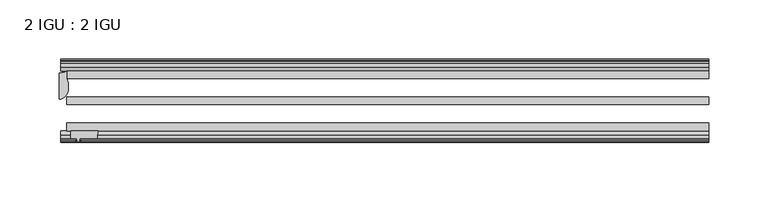
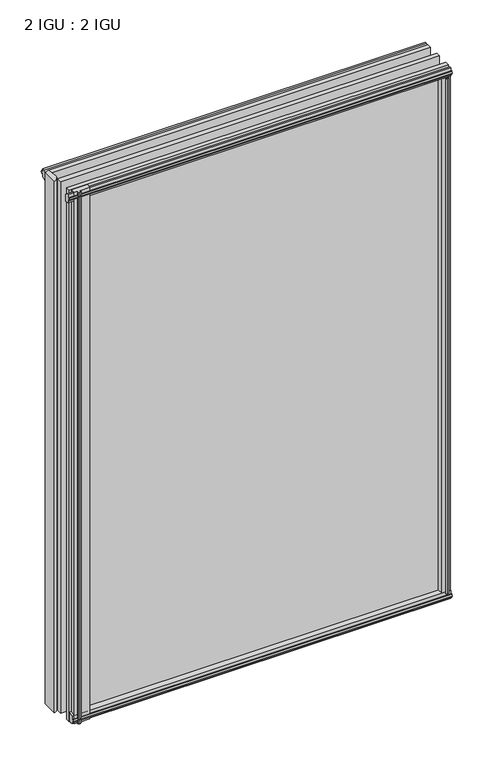
"""IFC4 building model written with IfcOpenShell, lengths in millimetres: plate geometry, 2 IGU : 2 IGU."""

from ifc_helpers import new_model, si_unit, point, frame, frame_2d, origin, origin_with_axes, place, context, project, spatial, polyline, circle_curve, ellipse_curve, trimmed, segment, composite_curve, outline, extrude, source, transform, mapped, element, save
from ifc_brep_helpers import plane_surface, cylinder_surface, revolved_surface, extruded_surface, advanced_brep


def plate_2_igu_2_igu_c3fe237a(model_context):
    return source(origin(), model_context, "Body", "SolidModel", [
        advanced_brep(
        [(-282.575, -21.2713143, -12.303125), (-276.225, -19.5460937, -12.303125), (-276.225, -25.8960937, -12.303125), (-275.0104224, -33.7460937, -12.303125), (-282.575, -43.2929845, -12.303125), (-282.575, -21.2713143, 787.4), (-282.575, -43.2929845, 787.4), (-275.0104224, -33.7460937, 787.4), (-276.225, -25.8960937, 787.4), (-276.225, -19.5460937, 787.4)],
        [
            (0, 1, circle_curve(frame((-282.575, -8.7225169, -12.303125), z_axis=(0.0, 0.0, 1.0), x_axis=(1.0, 0.0, 0.0)), 12.5487974)),
            (1, 2),
            (2, 3, circle_curve(frame((-300.9855831, -33.7460937, -12.303125), z_axis=(0.0, 0.0, -1.0), x_axis=(1.0, 0.0, 0.0)), 25.9751607)),
            (3, 4, ellipse_curve(frame((-282.575, -33.7460937, -12.303125), z_axis=(0.0, 0.0, -1.0), x_axis=(0.0, 1.0, 0.0)), 9.5468907, 7.5645776)),
            (4, 0),
            (5, 6),
            (6, 7, ellipse_curve(frame((-282.575, -33.7460937, 787.4), z_axis=(0.0, 0.0, 1.0), x_axis=(0.0, 1.0, 0.0)), 9.5468907, 7.5645776)),
            (7, 8, circle_curve(frame((-300.9855831, -33.7460937, 787.4), z_axis=(0.0, 0.0, 1.0), x_axis=(1.0, 0.0, 0.0)), 25.9751607)),
            (8, 9),
            (9, 5, circle_curve(frame((-282.575, -8.7225169, 787.4), z_axis=(0.0, 0.0, -1.0), x_axis=(1.0, 0.0, 0.0)), 12.5487974)),
            (0, 5),
            (9, 1),
            (8, 2),
            (7, 3),
            (6, 4),
        ],
        [
            plane_surface(frame((-282.575, -13.1960937, -12.303125), z_axis=(0.0, 0.0, -1.0), x_axis=(0.0, 1.0, 0.0))),
            plane_surface(frame((-282.575, -13.1960937, 787.4), z_axis=(0.0, 0.0, 1.0), x_axis=(0.0, 1.0, 0.0))),
            revolved_surface(polyline([(-270.0262026, -8.7225169, 787.4), (-270.0262026, -8.7225169, -12.303125)]), (-282.575, -8.7225169, -12.303125), (0.0, 0.0, 1.0)),
            plane_surface(frame((-276.225, -19.5460937, -12.303125), z_axis=(1.0, 0.0, 0.0), x_axis=(0.0, 0.0, 1.0))),
            cylinder_surface(frame((-300.9855831, -33.7460937, -12.303125), z_axis=(0.0, 0.0, -1.0), x_axis=(1.0, 0.0, 0.0)), 25.9751607),
            extruded_surface(trimmed(ellipse_curve(frame((-282.575, -33.7460937, 787.4), z_axis=(0.0, 0.0, -1.0), x_axis=(0.0, 1.0, 0.0)), 9.5468907, 7.5645776), [point((-275.0104224, -33.7460937, 787.4))], [point((-282.575, -43.2929845, 787.4))], True, "CARTESIAN"), (0.0, 0.0, -799.703125), 799.703125),
            plane_surface(frame((-282.575, -43.2929845, -12.303125), z_axis=(-1.0, 0.0, 0.0), x_axis=(0.0, 0.0, 1.0))),
        ],
        [
            (0, [[1, 2, 3, 4, 5]]),
            (1, [[6, 7, 8, 9, 10]]),
            (2, [[-1, 11, -10, 12]]),
            (3, [[-2, -12, -9, 13]]),
            (4, [[-3, -13, -8, 14]]),
            (5, [[-4, -14, -7, 15]]),
            (6, [[-5, -15, -6, -11]]),
        ],
    ),
        extrude(outline(polyline([(255.5181709, -10.4746158), (257.6957, -9.7670937), (259.8732291, -10.4746158), (259.8732291, -11.27583), (258.4577, -10.8158968), (258.8387, -13.1960937), (263.2837, -13.1960937), (263.2837, -16.1424937), (260.4493578, -19.5460937), (249.6279819, -19.5460937), (251.3457, -13.1960937), (256.5527, -13.1960937), (256.9337, -10.8158968), (255.5181709, -11.27583), (255.5181709, -10.4746158)])), origin_with_axes(), (0.0, 0.0, 1.0), 774.7),
        extrude(outline(composite_curve([segment(polyline([(-273.05, -69.9960936), (-249.8412713, -69.9960936)]), True, "CONTINUOUS"), segment(trimmed(circle_curve(frame_2d((-238.4838743, -75.0067563)), 12.4135896), [point((-249.8412713, -69.9960936))], [point((-250.825, -76.3460936))], True, "CARTESIAN"), True, "CONTINUOUS"), segment(polyline([(-250.825, -76.3460936), (-265.43, -76.3460936), (-265.7475, -78.4506955), (-264.5288941, -78.124171), (-264.3251, -78.884741), (-266.7, -79.5210936), (-269.0749, -78.884741), (-268.8711059, -78.124171), (-267.6525, -78.4506955), (-267.97, -76.3460936), (-273.05, -76.3460936), (-273.05, -69.9960936)]), True, "CONTINUOUS")], self_intersect=False)), frame((0.0, 0.0, -12.4587), z_axis=(0.0, 0.0, 1.0), x_axis=(1.0, 0.0, 0.0)), (0.0, 0.0, 1.0), 799.6174),
        extrude(outline(polyline([(-19.5460937, 1.5938931), (-13.1960937, -0.123825), (-13.1960937, -5.330825), (-10.8158968, -5.711825), (-11.27583, -4.2962959), (-10.4746158, -4.2962959), (-9.7670937, -6.473825), (-10.4746158, -8.6513541), (-11.27583, -8.6513541), (-10.8158968, -7.235825), (-13.1960937, -7.616825), (-13.1960937, -12.061825), (-16.1424937, -12.061825), (-19.5460937, -9.2274828), (-19.5460937, 1.5938931)])), frame((-276.225, 0.0, 0.0), z_axis=(1.0, 0.0, 0.0), x_axis=(0.0, 1.0, 0.0)), (0.0, 0.0, 1.0), 539.75),
        extrude(outline(polyline([(-69.9960936, 2.1145931), (-69.9960936, -8.7067828), (-73.3996936, -11.541125), (-76.3460936, -11.541125), (-76.3460936, -7.096125), (-78.7262905, -6.715125), (-78.2663573, -8.1306541), (-79.0675715, -8.1306541), (-79.7750936, -5.953125), (-79.0675715, -3.7755959), (-78.2663573, -3.7755959), (-78.7262905, -5.191125), (-76.3460936, -4.810125), (-76.3460936, 0.396875), (-69.9960936, 2.1145931)])), frame((-276.225, 0.0, 0.0), z_axis=(1.0, 0.0, 0.0), x_axis=(0.0, 1.0, 0.0)), (0.0, 0.0, 1.0), 539.75),
        extrude(outline(polyline([(-10.8158968, 782.3327), (-11.27583, 783.7482291), (-10.4746158, 783.7482291), (-9.7670937, 781.5707), (-10.4746158, 779.3931709), (-11.27583, 779.3931709), (-10.8158968, 780.8087), (-13.1960937, 780.4277), (-13.1960937, 775.2207), (-19.5460937, 773.5029819), (-19.5460937, 784.3243578), (-16.1424937, 787.1587), (-13.1960937, 787.1587), (-13.1960937, 782.7137), (-10.8158968, 782.3327)])), frame((-281.5711059, 0.0, 0.0), z_axis=(1.0, 0.0, 0.0), x_axis=(0.0, 1.0, 0.0)), (0.0, 0.0, 1.0), 545.0961059),
        extrude(outline(polyline([(-76.3460936, 786.638), (-73.3996936, 786.638), (-69.9960936, 783.8036578), (-69.9960936, 772.9822819), (-76.3460936, 774.7), (-76.3460936, 779.907), (-78.7262905, 780.288), (-78.2663573, 778.8724709), (-79.0675715, 778.8724709), (-79.7750936, 781.05), (-79.0675715, 783.2275291), (-78.2663573, 783.2275291), (-78.7262905, 781.812), (-76.3460936, 782.193), (-76.3460936, 786.638)])), frame((-281.5711059, 0.0, 0.0), z_axis=(1.0, 0.0, 0.0), x_axis=(0.0, 1.0, 0.0)), (0.0, 0.0, 1.0), 545.0961059),
        extrude(outline(polyline([(249.1072819, -69.9960936), (259.9286578, -69.9960936), (262.763, -73.3996936), (262.763, -76.3460936), (258.318, -76.3460936), (257.937, -78.7262905), (259.3525291, -78.2663573), (259.3525291, -79.0675715), (257.175, -79.7750936), (254.9974709, -79.0675715), (254.9974709, -78.2663573), (256.413, -78.7262905), (256.032, -76.3460936), (250.825, -76.3460936), (249.1072819, -69.9960936)])), origin_with_axes(), (0.0, 0.0, 1.0), 774.7),
        extrude(outline(polyline([(263.525, -19.5460937), (263.525, -25.8960937), (-276.225, -25.8960937), (-276.225, -19.5460937), (263.525, -19.5460937)])), frame((0.0, 0.0, -12.303125), z_axis=(0.0, 0.0, 1.0), x_axis=(1.0, 0.0, 0.0)), (0.0, 0.0, 1.0), 799.703125),
        extrude(outline(polyline([(-276.225, -41.5960937), (263.525, -41.5960937), (263.525, -47.9460937), (-276.225, -47.9460937), (-276.225, -41.5960937)])), frame((0.0, 0.0, -12.303125), z_axis=(0.0, 0.0, 1.0), x_axis=(1.0, 0.0, 0.0)), (0.0, 0.0, 1.0), 799.703125),
        extrude(outline(polyline([(263.525, -63.6460936), (263.525, -69.9960936), (-276.225, -69.9960936), (-276.225, -63.6460936), (263.525, -63.6460936)])), frame((0.0, 0.0, -12.303125), z_axis=(0.0, 0.0, 1.0), x_axis=(1.0, 0.0, 0.0)), (0.0, 0.0, 1.0), 799.703125),
    ])


if __name__ == "__main__":
    model = new_model("IFC4")
    model_context = context("Model", 3, world=origin())
    ifc_project = project(units=[si_unit("LENGTHUNIT", "METRE", prefix="MILLI")], contexts=[model_context])
    site = spatial("IfcSite", under=ifc_project)
    building = spatial("IfcBuilding", under=site)
    placement = place(None, origin())
    plate_2_igu_2_igu_shape = plate_2_igu_2_igu_c3fe237a(model_context)
    element("IfcPlate", 1, ObjectType="2 IGU : 2 IGU", at=placement, inside=building, context=model_context, shape_type="MappedRepresentation", body=[
        mapped(plate_2_igu_2_igu_shape, transform((0.0, 0.0, 0.0), x_axis=(1.0, 0.0, 0.0), y_axis=(0.0, 1.0, 0.0), z_axis=(0.0, 0.0, 1.0))),
    ])
    save(model, "model.ifc")
